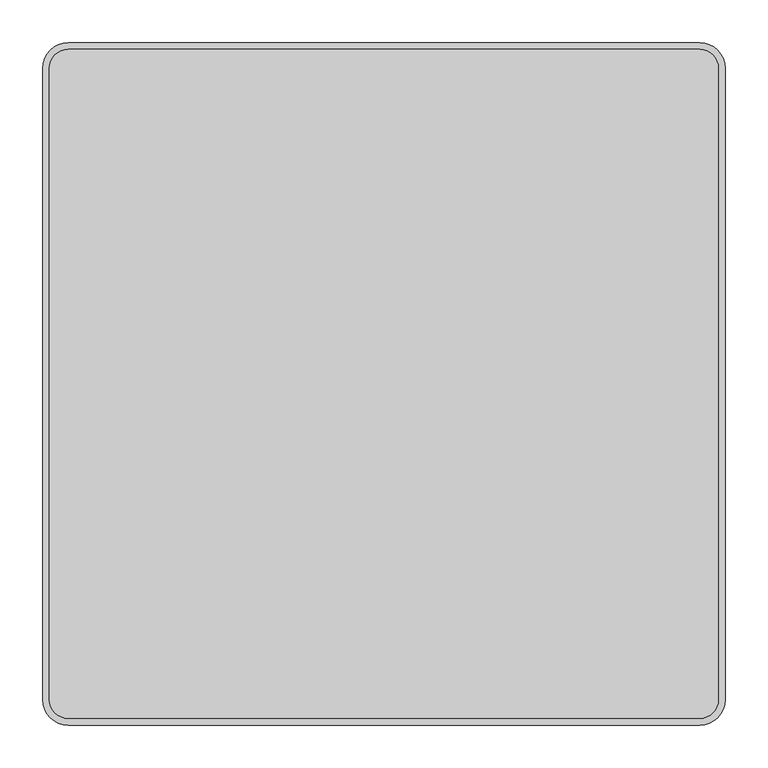
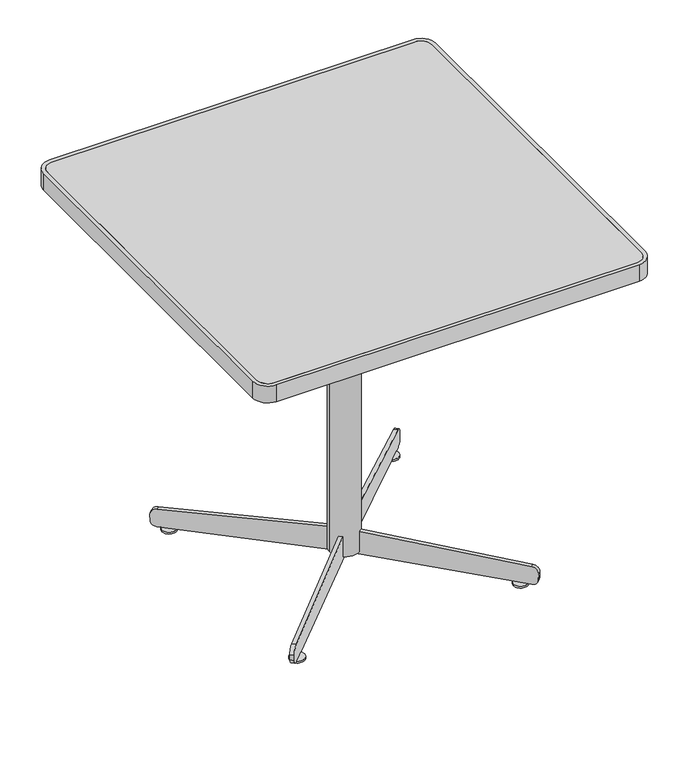
"""IFC4 building model written with IfcOpenShell, lengths in millimetres: furniture geometry."""

from ifc_helpers import new_model, si_unit, point, frame, frame_2d, origin, origin_with_axes, place, context, project, spatial, polyline, circle_curve, trimmed, segment, composite_curve, outline, extrude, source, transform, mapped, element, save


def furniture_0e6f791f(model_context):
    return source(origin(), model_context, "Body", "SweptSolid", [
        extrude(outline(composite_curve([segment(trimmed(circle_curve(frame_2d((-370.0, 370.0)), 22.0), [point((-392.0, 370.0))], [point((-370.0, 392.0))], False, "CARTESIAN"), True, "CONTINUOUS"), segment(polyline([(-370.0, 392.0), (370.0, 392.0)]), True, "CONTINUOUS"), segment(trimmed(circle_curve(frame_2d((370.0, 370.0)), 22.0), [point((370.0, 392.0))], [point((392.0, 370.0))], False, "CARTESIAN"), True, "CONTINUOUS"), segment(polyline([(392.0, 370.0), (392.0, -370.0)]), True, "CONTINUOUS"), segment(trimmed(circle_curve(frame_2d((370.0, -370.0)), 22.0), [point((392.0, -370.0))], [point((370.0, -392.0))], False, "CARTESIAN"), True, "CONTINUOUS"), segment(polyline([(370.0, -392.0), (-370.0, -392.0)]), True, "CONTINUOUS"), segment(trimmed(circle_curve(frame_2d((-370.0, -370.0)), 22.0), [point((-370.0, -392.0))], [point((-392.0, -370.0))], False, "CARTESIAN"), True, "CONTINUOUS"), segment(polyline([(-392.0, -370.0), (-392.0, 370.0)]), True, "CONTINUOUS")], self_intersect=False)), frame((0.0, 0.0, 737.0), z_axis=(0.0, 0.0, 1.0), x_axis=(1.0, 0.0, 0.0)), (0.0, 0.0, 1.0), 3.0),
        extrude(outline(composite_curve([segment(polyline([(-392.0, 55.0), (392.0, 55.0), (392.0, 15.0), (368.0, 15.0)]), True, "CONTINUOUS"), segment(trimmed(circle_curve(frame_2d((368.0, 9.0)), 6.0), [point((368.0, 15.0))], [point((362.0, 9.0))], True, "CARTESIAN"), True, "CONTINUOUS"), segment(polyline([(362.0, 9.0), (362.0, -9.0)]), True, "CONTINUOUS"), segment(trimmed(circle_curve(frame_2d((368.0, -9.0)), 6.0), [point((362.0, -9.0))], [point((368.0, -15.0))], True, "CARTESIAN"), True, "CONTINUOUS"), segment(polyline([(368.0, -15.0), (392.0, -15.0), (392.0, -55.0), (-392.0, -55.0), (-392.0, -15.0), (-368.0, -15.0)]), True, "CONTINUOUS"), segment(trimmed(circle_curve(frame_2d((-368.0, -9.0)), 6.0), [point((-368.0, -15.0))], [point((-362.0, -9.0))], True, "CARTESIAN"), True, "CONTINUOUS"), segment(polyline([(-362.0, -9.0), (-362.0, 9.0)]), True, "CONTINUOUS"), segment(trimmed(circle_curve(frame_2d((-368.0, 9.0)), 6.0), [point((-362.0, 9.0))], [point((-368.0, 15.0))], True, "CARTESIAN"), True, "CONTINUOUS"), segment(polyline([(-368.0, 15.0), (-392.0, 15.0), (-392.0, 55.0)]), True, "CONTINUOUS")], self_intersect=False)), frame((0.0, 0.0, 712.0), z_axis=(0.0, 0.0, 1.0), x_axis=(1.0, 0.0, 0.0)), (0.0, 0.0, 1.0), 8.0),
        extrude(outline(composite_curve([segment(polyline([(-400.0, -370.0), (-400.0, 370.0)]), True, "CONTINUOUS"), segment(trimmed(circle_curve(frame_2d((-370.0, 370.0)), 30.0), [point((-400.0, 370.0))], [point((-370.0, 400.0))], False, "CARTESIAN"), True, "CONTINUOUS"), segment(polyline([(-370.0, 400.0), (370.0, 400.0)]), True, "CONTINUOUS"), segment(trimmed(circle_curve(frame_2d((370.0, 370.0)), 30.0), [point((370.0, 400.0))], [point((400.0, 370.0))], False, "CARTESIAN"), True, "CONTINUOUS"), segment(polyline([(400.0, 370.0), (400.0, -370.0)]), True, "CONTINUOUS"), segment(trimmed(circle_curve(frame_2d((370.0, -370.0)), 30.0), [point((400.0, -370.0))], [point((370.0, -400.0))], False, "CARTESIAN"), True, "CONTINUOUS"), segment(polyline([(370.0, -400.0), (-370.0, -400.0)]), True, "CONTINUOUS"), segment(trimmed(circle_curve(frame_2d((-370.0, -370.0)), 30.0), [point((-370.0, -400.0))], [point((-400.0, -370.0))], False, "CARTESIAN"), True, "CONTINUOUS")], self_intersect=False), holes=[composite_curve([segment(polyline([(-392.0, 370.0), (-392.0, -370.0)]), True, "CONTINUOUS"), segment(trimmed(circle_curve(frame_2d((-370.0, -370.0)), 22.0), [point((-392.0, -370.0))], [point((-370.0, -392.0))], True, "CARTESIAN"), True, "CONTINUOUS"), segment(polyline([(-370.0, -392.0), (370.0, -392.0)]), True, "CONTINUOUS"), segment(trimmed(circle_curve(frame_2d((370.0, -370.0)), 22.0), [point((370.0, -392.0))], [point((392.0, -370.0))], True, "CARTESIAN"), True, "CONTINUOUS"), segment(polyline([(392.0, -370.0), (392.0, 370.0)]), True, "CONTINUOUS"), segment(trimmed(circle_curve(frame_2d((370.0, 370.0)), 22.0), [point((392.0, 370.0))], [point((370.0, 392.0))], True, "CARTESIAN"), True, "CONTINUOUS"), segment(polyline([(370.0, 392.0), (-370.0, 392.0)]), True, "CONTINUOUS"), segment(trimmed(circle_curve(frame_2d((-370.0, 370.0)), 22.0), [point((-370.0, 392.0))], [point((-392.0, 370.0))], True, "CARTESIAN"), True, "CONTINUOUS")], self_intersect=False)]), frame((0.0, 0.0, 704.0), z_axis=(0.0, 0.0, 1.0), x_axis=(1.0, 0.0, 0.0)), (0.0, 0.0, 1.0), 36.0),
        extrude(outline(composite_curve([segment(trimmed(circle_curve(frame_2d((-230.0247397, -232.0465142)), 15.0), [point((-245.0247397, -232.0465142))], [point((-215.0247397, -232.0465142))], False, "CARTESIAN"), True, "CONTINUOUS"), segment(trimmed(circle_curve(frame_2d((-230.0247397, -232.0465142)), 15.0), [point((-215.0247397, -232.0465142))], [point((-245.0247397, -232.0465142))], False, "CARTESIAN"), True, "CONTINUOUS")], self_intersect=False)), origin_with_axes(), (0.0, 0.0, 1.0), 4.0),
        extrude(outline(composite_curve([segment(trimmed(circle_curve(frame_2d((227.0933375, -229.1151121)), 15.0), [point((242.0933375, -229.1151121))], [point((212.0933375, -229.1151121))], False, "CARTESIAN"), True, "CONTINUOUS"), segment(trimmed(circle_curve(frame_2d((227.0933375, -229.1151121)), 15.0), [point((212.0933375, -229.1151121))], [point((242.0933375, -229.1151121))], False, "CARTESIAN"), True, "CONTINUOUS")], self_intersect=False)), origin_with_axes(), (0.0, 0.0, 1.0), 4.0),
        extrude(outline(composite_curve([segment(trimmed(circle_curve(frame_2d((-227.102909, 225.1953251)), 15.0), [point((-242.102909, 225.1953251))], [point((-212.102909, 225.1953251))], False, "CARTESIAN"), True, "CONTINUOUS"), segment(trimmed(circle_curve(frame_2d((-227.102909, 225.1953251)), 15.0), [point((-212.102909, 225.1953251))], [point((-242.102909, 225.1953251))], False, "CARTESIAN"), True, "CONTINUOUS")], self_intersect=False)), origin_with_axes(), (0.0, 0.0, 1.0), 4.0),
        extrude(outline(composite_curve([segment(trimmed(circle_curve(frame_2d((224.2722597, 222.4654286)), 15.0), [point((239.2722597, 222.4654286))], [point((209.2722597, 222.4654286))], False, "CARTESIAN"), True, "CONTINUOUS"), segment(trimmed(circle_curve(frame_2d((224.2722597, 222.4654286)), 15.0), [point((209.2722597, 222.4654286))], [point((239.2722597, 222.4654286))], False, "CARTESIAN"), True, "CONTINUOUS")], self_intersect=False)), origin_with_axes(), (0.0, 0.0, 1.0), 4.0),
        extrude(outline(composite_curve([segment(trimmed(circle_curve(frame_2d((1e-07, -14.0)), 14.0), [point((-14.0, -14.0))], [point((0.0, 0.0))], False, "CARTESIAN"), True, "CONTINUOUS"), segment(polyline([(0.0, 0.0), (11.6300482, -1e-07)]), True, "CONTINUOUS"), segment(trimmed(circle_curve(frame_2d((11.6300482, -12.0)), 12.0), [point((11.6300482, -1e-07))], [point((23.6063713, -11.2465512))], False, "CARTESIAN"), True, "CONTINUOUS"), segment(polyline([(23.6063713, -11.2465512), (36.1524959, -354.012277), (66.6631051, -695.6478295)]), True, "CONTINUOUS"), segment(trimmed(circle_curve(frame_2d((54.686782, -696.4012784)), 12.0), [point((66.6631051, -695.6478295))], [point((56.1907064, -708.3066641))], False, "CARTESIAN"), True, "CONTINUOUS"), segment(polyline([(56.1907064, -708.3066641), (44.6523556, -709.7642237)]), True, "CONTINUOUS"), segment(trimmed(circle_curve(frame_2d((42.8977771, -695.8746069)), 14.0), [point((44.6523556, -709.7642237))], [point((29.0081602, -697.6291855))], False, "CARTESIAN"), True, "CONTINUOUS"), segment(polyline([(29.0081602, -697.6291855), (-13.4977007, -361.1437549), (11.5113442, -359.5703975), (11.0090449, -351.5861821), (-14.0, -353.1595395), (-14.0, -14.0)]), True, "CONTINUOUS")], self_intersect=False)), frame((-249.5247876, -255.1891984, 26.8536524), z_axis=(-0.7043233319140294, 0.7098793165894609, 0.0), x_axis=(0.044571479462634185, 0.04422263360803813, -0.9980269244340462)), (0.0, 0.0, 1.0), 8.0),
        extrude(outline(composite_curve([segment(trimmed(circle_curve(frame_2d((1e-07, -14.0)), 14.0), [point((-14.0, -14.0))], [point((0.0, 0.0))], False, "CARTESIAN"), True, "CONTINUOUS"), segment(polyline([(0.0, 0.0), (11.6300482, 0.0)]), True, "CONTINUOUS"), segment(trimmed(circle_curve(frame_2d((11.6300482, -11.9999999)), 12.0), [point((11.6300482, 0.0))], [point((23.6063713, -11.2465511))], False, "CARTESIAN"), True, "CONTINUOUS"), segment(polyline([(23.6063713, -11.2465511), (36.1524959, -354.0122769), (66.6631051, -695.6478295)]), True, "CONTINUOUS"), segment(trimmed(circle_curve(frame_2d((54.686782, -696.4012783)), 12.0), [point((66.6631051, -695.6478295))], [point((56.1907064, -708.306664))], False, "CARTESIAN"), True, "CONTINUOUS"), segment(polyline([(56.1907064, -708.306664), (44.6523555, -709.7642236)]), True, "CONTINUOUS"), segment(trimmed(circle_curve(frame_2d((42.897777, -695.8746068)), 14.0), [point((44.6523555, -709.7642236))], [point((29.0081602, -697.6291853))], False, "CARTESIAN"), True, "CONTINUOUS"), segment(polyline([(29.0081602, -697.6291853), (-13.4977007, -361.1437548), (11.5113442, -359.5703974), (11.0090449, -351.5861821), (-14.0, -353.1595395), (-14.0, -14.0)]), True, "CONTINUOUS")], self_intersect=False)), frame((-254.1846396, 246.7034412, 26.8536524), z_axis=(0.7071067811865476, 0.7071067811865476, 0.0), x_axis=(0.044397399162106346, -0.044397399162106346, -0.9980269244340462)), (0.0, 0.0, 1.0), 8.0),
        extrude(outline(composite_curve([segment(trimmed(circle_curve(frame_2d((0.0, -0.0376502)), 30.0), [point((-30.0, -0.0376502))], [point((30.0, -0.0376502))], False, "CARTESIAN"), True, "CONTINUOUS"), segment(trimmed(circle_curve(frame_2d((0.0, -0.0376502)), 30.0), [point((30.0, -0.0376502))], [point((-30.0, -0.0376502))], False, "CARTESIAN"), True, "CONTINUOUS")], self_intersect=False)), frame((0.0, 0.0, 18.4018537), z_axis=(0.0, 0.0, 1.0), x_axis=(1.0, 0.0, 0.0)), (0.0, 0.0, 1.0), 693.5981463),
    ])


if __name__ == "__main__":
    model = new_model("IFC4")
    model_context = context("Model", 3, world=origin())
    ifc_project = project(units=[si_unit("LENGTHUNIT", "METRE", prefix="MILLI")], contexts=[model_context])
    site = spatial("IfcSite", under=ifc_project)
    building = spatial("IfcBuilding", under=site)
    placement = place(None, origin())
    furniture_shape = furniture_0e6f791f(model_context)
    element("IfcFurniture", 1, at=placement, inside=building, context=model_context, shape_type="MappedRepresentation", body=[
        mapped(furniture_shape, transform((0.0, 0.0, 0.0), x_axis=(1.0, 0.0, 0.0), y_axis=(0.0, 1.0, 0.0), z_axis=(0.0, 0.0, 1.0))),
    ])
    save(model, "model.ifc")
